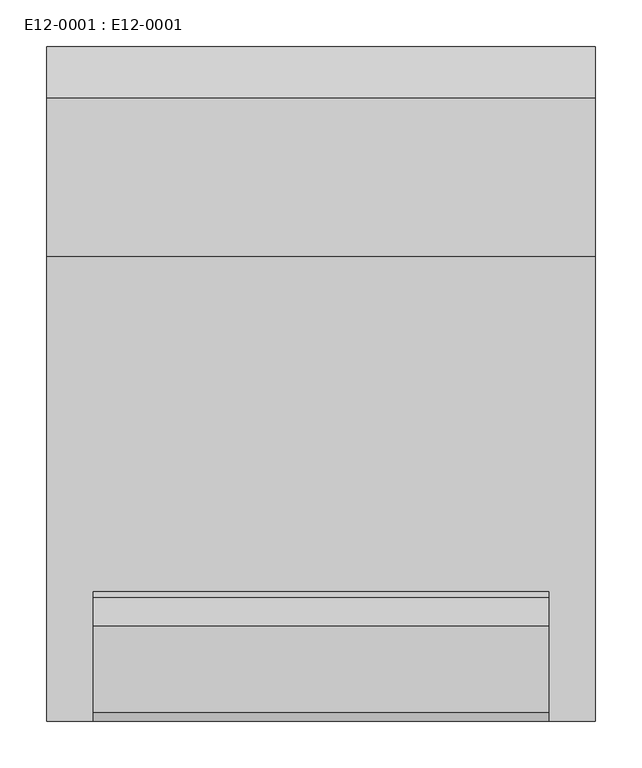
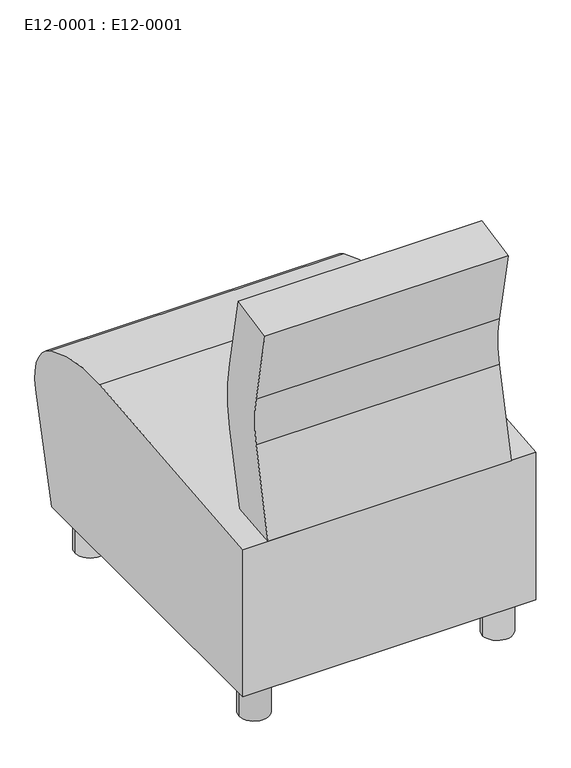
"""IFC4 building model written with IfcOpenShell, lengths in millimetres: furniture geometry, E12-0001 : E12-0001."""

import ifcopenshell
import ifcopenshell.guid

model = None  # the IFC model being written
_history = None  # IfcOwnerHistory: only IFC2X3 demands one
_inside = {}  # id of a spatial element -> (the spatial element, [elements in it])
_under = {}  # id of a project, library or spatial element -> (it, [spatial elements below it])
_declared = {}  # id of a project -> (the project, [libraries it declares])
_typed = {}  # id of a type object -> (the type object, [elements of that type])
_made_of = {}  # id of a material, layer set ... -> (it, [elements and type objects made of it])


def new_model(schema):
    """Start an empty IFC model of exactly this schema.

    Asked for "IFC4X3", IfcOpenShell would pick the latest addendum, in which some entities
    have other attributes; the version numbers below select the first issue.
    IFC2X3 requires an IfcOwnerHistory on every rooted entity: one is made here for all.
    """
    global model, _history
    if schema == "IFC4X3":
        model = ifcopenshell.file(schema_version=(4, 3, 0, 0))
    else:
        model = ifcopenshell.file(schema=schema)
    _inside.clear()
    _under.clear()
    _declared.clear()
    _typed.clear()
    _made_of.clear()
    _history = None
    if model.schema == "IFC2X3":
        org = make("IfcOrganization", Name="unknown")
        user = make(
            "IfcPersonAndOrganization",
            ThePerson=make("IfcPerson", FamilyName="unknown"),
            TheOrganization=org,
        )
        app = make(
            "IfcApplication",
            ApplicationDeveloper=org,
            Version="unknown",
            ApplicationFullName="unknown",
            ApplicationIdentifier="unknown",
        )
        _history = make(
            "IfcOwnerHistory",
            OwningUser=user,
            OwningApplication=app,
            ChangeAction="ADDED",
            CreationDate=0,
        )
    return model


def make(cls, **values):
    """One entity of the class cls with the attributes given. An attribute that is None is left unset."""
    return model.create_entity(
        cls, **{name: value for name, value in values.items() if value is not None}
    )


def rooted(cls, **values):
    """An entity with a GlobalId (a new one), such as an element, a storey or a relation."""
    return make(cls, GlobalId=ifcopenshell.guid.new(), OwnerHistory=_history, **values)


def si_unit(unit_type, name, prefix=None):
    """IfcSIUnit, for example si_unit("LENGTHUNIT", "METRE", prefix="MILLI")."""
    return make("IfcSIUnit", UnitType=unit_type, Prefix=prefix, Name=name)


def assignment(units):
    """IfcUnitAssignment: the units of a project."""
    return None if units is None else make("IfcUnitAssignment", Units=units)


def point(xyz):
    """IfcCartesianPoint."""
    return None if xyz is None else make("IfcCartesianPoint", Coordinates=xyz)


def direction(xyz):
    """IfcDirection."""
    return None if xyz is None else make("IfcDirection", DirectionRatios=xyz)


def frame(location, z_axis=None, x_axis=None):
    """IfcAxis2Placement3D, a coordinate frame: its origin and axes. An axis left out is left unset."""
    return make(
        "IfcAxis2Placement3D",
        Location=point(location),
        Axis=direction(z_axis),
        RefDirection=direction(x_axis),
    )


def frame_2d(location, x_axis=None):
    """IfcAxis2Placement2D, a coordinate frame in the plane: its origin and x axis."""
    return make(
        "IfcAxis2Placement2D", Location=point(location), RefDirection=direction(x_axis)
    )


def origin():
    """The frame at (0, 0, 0) with its axes left unset."""
    return frame((0.0, 0.0, 0.0))


def origin_with_axes():
    """The frame at (0, 0, 0) with the z axis (0, 0, 1) and the x axis (1, 0, 0) written out."""
    return frame((0.0, 0.0, 0.0), z_axis=(0.0, 0.0, 1.0), x_axis=(1.0, 0.0, 0.0))


def place(relative_to, where):
    """IfcLocalPlacement: puts the frame where relative to a parent placement (None: the world)."""
    return make(
        "IfcLocalPlacement", PlacementRelTo=relative_to, RelativePlacement=where
    )


def context(
    kind, dimensions, precision=None, world=None, true_north=None, identifier=None
):
    """IfcGeometricRepresentationContext, for example the 3D "Model" context."""
    return make(
        "IfcGeometricRepresentationContext",
        ContextIdentifier=identifier,
        ContextType=kind,
        CoordinateSpaceDimension=dimensions,
        Precision=precision,
        WorldCoordinateSystem=world,
        TrueNorth=true_north,
    )


def project(units=None, contexts=None):
    """IfcProject with its units and contexts."""
    return rooted(
        "IfcProject",
        Name="project",
        RepresentationContexts=contexts,
        UnitsInContext=assignment(units),
    )


def spatial(cls, under=None, at=None, **own):
    """A site, building, storey or space (cls), placed at a placement, below another one or the project."""
    s = rooted(cls, ObjectPlacement=at, **own)
    if under is not None:
        _under.setdefault(under.id(), (under, []))[1].append(s)
    return s


def polyline(points):
    """IfcPolyline through the points."""
    return make("IfcPolyline", Points=[point(p) for p in points])


def circle_curve(where, radius):
    """IfcCircle in the frame where."""
    return make("IfcCircle", Position=where, Radius=radius)


def trimmed(basis, trim1, trim2, sense, master):
    """IfcTrimmedCurve: the piece of a basis curve between two trims."""
    return make(
        "IfcTrimmedCurve",
        BasisCurve=basis,
        Trim1=trim1,
        Trim2=trim2,
        SenseAgreement=sense,
        MasterRepresentation=master,
    )


def segment(curve, same_sense, transition):
    """IfcCompositeCurveSegment."""
    return make(
        "IfcCompositeCurveSegment",
        Transition=transition,
        SameSense=same_sense,
        ParentCurve=curve,
    )


def composite_curve(segments, self_intersect=None):
    """IfcCompositeCurve: segments joined end to end."""
    return make("IfcCompositeCurve", Segments=segments, SelfIntersect=self_intersect)


def outline(outer, holes=None, kind="AREA"):
    """IfcArbitraryClosedProfileDef: a profile drawn as a closed curve; with holes, ...WithVoids."""
    if holes is None:
        return make("IfcArbitraryClosedProfileDef", ProfileType=kind, OuterCurve=outer)
    return make(
        "IfcArbitraryProfileDefWithVoids",
        ProfileType=kind,
        OuterCurve=outer,
        InnerCurves=holes,
    )


def extrude(swept, where, along, depth):
    """IfcExtrudedAreaSolid: the profile swept, set in the frame where, extruded along a direction by depth."""
    return make(
        "IfcExtrudedAreaSolid",
        SweptArea=swept,
        Position=where,
        ExtrudedDirection=direction(along),
        Depth=depth,
    )


def shape(context_of_items, identifier, shape_type, items):
    """IfcShapeRepresentation: the items that make up one representation, for example the "Body"."""
    return make(
        "IfcShapeRepresentation",
        ContextOfItems=context_of_items,
        RepresentationIdentifier=identifier,
        RepresentationType=shape_type,
        Items=items,
    )


def source(mapping_origin, context_of_items, identifier, shape_type, items):
    """IfcRepresentationMap: a shape defined once, which mapped items show again and again."""
    return make(
        "IfcRepresentationMap",
        MappingOrigin=mapping_origin,
        MappedRepresentation=shape(context_of_items, identifier, shape_type, items),
    )


def transform(
    local_origin,
    x_axis=None,
    y_axis=None,
    z_axis=None,
    scale=None,
    scale2=None,
    scale3=None,
    uniform=True,
):
    """IfcCartesianTransformationOperator3D, or its non-uniform kind. x_axis, y_axis, z_axis: its Axis1, 2, 3."""
    if uniform:
        return make(
            "IfcCartesianTransformationOperator3D",
            Axis1=direction(x_axis),
            Axis2=direction(y_axis),
            LocalOrigin=point(local_origin),
            Scale=scale,
            Axis3=direction(z_axis),
        )
    return make(
        "IfcCartesianTransformationOperator3DnonUniform",
        Axis1=direction(x_axis),
        Axis2=direction(y_axis),
        LocalOrigin=point(local_origin),
        Scale=scale,
        Axis3=direction(z_axis),
        Scale2=scale2,
        Scale3=scale3,
    )


def mapped(mapping_source, mapping_target):
    """IfcMappedItem: shows the shape of a source again, moved by a transform."""
    return make(
        "IfcMappedItem", MappingSource=mapping_source, MappingTarget=mapping_target
    )


def made_of(thing, what):
    """Note that an element or type object is made of a material, layer set ...; save() writes the relation."""
    if what is not None:
        _made_of.setdefault(what.id(), (what, []))[1].append(thing)
    return thing


def element(
    cls,
    number,
    at=None,
    inside=None,
    cuts=None,
    type_object=None,
    material=None,
    context=None,
    identifier="Body",
    shape_type=None,
    held_by="IfcProductDefinitionShape",
    body=None,
    shapes=None,
    **own,
):
    """One element of the class cls, such as IfcWall. Its Tag is "e" and its number.

    at: its placement. inside: the storey or other place that contains it. cuts: it is an
    opening in that element (IfcRelVoidsElement). A single representation is given by context,
    identifier, shape_type and body (its items); several are given by shapes. held_by: the class
    of the entity that holds the representations. save() writes the other relations.
    """
    e = rooted(cls, Tag="e%d" % number, ObjectPlacement=at, **own)
    if body is not None:
        shapes = [shape(context, identifier, shape_type, body)]
    if shapes is not None:
        e.Representation = make(held_by, Representations=shapes)
    if inside is not None:
        _inside.setdefault(inside.id(), (inside, []))[1].append(e)
    if cuts is not None:
        rooted(
            "IfcRelVoidsElement", RelatingBuildingElement=cuts, RelatedOpeningElement=e
        )
    if type_object is not None:
        _typed.setdefault(type_object.id(), (type_object, []))[1].append(e)
    return made_of(e, material)


def aggregate(whole, parts):
    """IfcRelAggregates: a whole, such as a stair, and the parts it consists of."""
    return rooted("IfcRelAggregates", RelatingObject=whole, RelatedObjects=parts)


def save(model, path):
    """Write the relations noted so far, then the file.

    IfcRelAggregates (storeys below a building ...), IfcRelContainedInSpatialStructure (elements
    in a storey), IfcRelDefinesByType, IfcRelAssociatesMaterial and IfcRelDeclares: one each for
    every whole, place, type object, material and project.
    """
    for whole, parts in _under.values():
        aggregate(whole, parts)
    for where, things in _inside.values():
        rooted(
            "IfcRelContainedInSpatialStructure",
            RelatedElements=things,
            RelatingStructure=where,
        )
    for kind, things in _typed.values():
        rooted("IfcRelDefinesByType", RelatedObjects=things, RelatingType=kind)
    for what, things in _made_of.values():
        rooted("IfcRelAssociatesMaterial", RelatedObjects=things, RelatingMaterial=what)
    for by, libraries in _declared.values():
        rooted("IfcRelDeclares", RelatingContext=by, RelatedDefinitions=libraries)
    model.write(path)


def e12_0001_e12_0001_95b67d5f(model_context):
    return source(origin(), model_context, "Body", "SweptSolid", [
        extrude(outline(composite_curve([segment(trimmed(circle_curve(frame_2d((-245.0, -314.9616307)), 30.0), [point((-215.0, -314.9616307))], [point((-275.0, -314.9616307))], False, "CARTESIAN"), True, "CONTINUOUS"), segment(trimmed(circle_curve(frame_2d((-245.0, -314.9616307)), 30.0), [point((-275.0, -314.9616307))], [point((-215.0, -314.9616307))], False, "CARTESIAN"), True, "CONTINUOUS")], self_intersect=False)), origin_with_axes(), (0.0, 0.0, 1.0), 90.0),
        extrude(outline(composite_curve([segment(trimmed(circle_curve(frame_2d((245.0, -314.9616307)), 30.0), [point((275.0, -314.9616307))], [point((215.0, -314.9616307))], False, "CARTESIAN"), True, "CONTINUOUS"), segment(trimmed(circle_curve(frame_2d((245.0, -314.9616307)), 30.0), [point((215.0, -314.9616307))], [point((275.0, -314.9616307))], False, "CARTESIAN"), True, "CONTINUOUS")], self_intersect=False)), origin_with_axes(), (0.0, 0.0, 1.0), 90.0),
        extrude(outline(composite_curve([segment(trimmed(circle_curve(frame_2d((-245.0, 257.0910208)), 30.0), [point((-275.0, 257.0910208))], [point((-215.0, 257.0910208))], False, "CARTESIAN"), True, "CONTINUOUS"), segment(trimmed(circle_curve(frame_2d((-245.0, 257.0910208)), 30.0), [point((-215.0, 257.0910208))], [point((-275.0, 257.0910208))], False, "CARTESIAN"), True, "CONTINUOUS")], self_intersect=False)), origin_with_axes(), (0.0, 0.0, 1.0), 90.0),
        extrude(outline(composite_curve([segment(trimmed(circle_curve(frame_2d((245.0, 257.0910208)), 30.0), [point((215.0, 257.0910208))], [point((275.0, 257.0910208))], False, "CARTESIAN"), True, "CONTINUOUS"), segment(trimmed(circle_curve(frame_2d((245.0, 257.0910208)), 30.0), [point((275.0, 257.0910208))], [point((215.0, 257.0910208))], False, "CARTESIAN"), True, "CONTINUOUS")], self_intersect=False)), origin_with_axes(), (0.0, 0.0, 1.0), 90.0),
        extrude(outline(composite_curve([segment(polyline([(-321.9613564, 668.4935715), (-352.8958204, 821.165723), (-260.7194529, 839.8425183), (-229.9768759, 688.1173945)]), True, "CONTINUOUS"), segment(trimmed(circle_curve(frame_2d((-535.5364706, 620.1795915)), 313.0211031), [point((-229.9768759, 688.1173945))], [point((-230.2297005, 551.1144983))], False, "CARTESIAN"), True, "CONTINUOUS"), segment(polyline([(-230.2297005, 551.1144983), (-264.3541018, 400.2653463), (-362.9089792, 390.8539618), (-321.9613564, 571.8656116)]), True, "CONTINUOUS"), segment(trimmed(circle_curve(frame_2d((-535.5364706, 620.1795915)), 218.9716193), [point((-321.9613564, 571.8656116))], [point((-321.9613564, 668.4935715))], True, "CARTESIAN"), True, "CONTINUOUS")], self_intersect=False)), frame((-245.0, 0.0, 0.0), z_axis=(1.0, 0.0, 0.0), x_axis=(0.0, 1.0, 0.0)), (0.0, 0.0, 1.0), 490.0),
        extrude(outline(composite_curve([segment(trimmed(circle_curve(frame_2d((167.0263638, 119.1677501)), 320.8322499), [point((136.5276024, 438.5470828))], [point((306.9348904, 407.8872277))], False, "CARTESIAN"), True, "CONTINUOUS"), segment(trimmed(circle_curve(frame_2d((263.6500621, 318.5633437)), 99.2589171), [point((306.9348904, 407.8872277))], [point((359.7611802, 293.7644405))], False, "CARTESIAN"), True, "CONTINUOUS"), segment(polyline([(359.7611802, 293.7644405), (303.5267446, 77.4421756), (-362.9089792, 77.4421756), (-362.9089792, 390.8539618), (136.5276024, 438.5470828)]), True, "CONTINUOUS")], self_intersect=False)), frame((-295.0, 0.0, 0.0), z_axis=(1.0, 0.0, 0.0), x_axis=(0.0, 1.0, 0.0)), (0.0, 0.0, 1.0), 590.0),
    ])


if __name__ == "__main__":
    model = new_model("IFC4")
    model_context = context("Model", 3, world=origin())
    ifc_project = project(units=[si_unit("LENGTHUNIT", "METRE", prefix="MILLI")], contexts=[model_context])
    site = spatial("IfcSite", under=ifc_project)
    building = spatial("IfcBuilding", under=site)
    placement = place(None, origin())
    e12_0001_e12_0001_shape = e12_0001_e12_0001_95b67d5f(model_context)
    element("IfcFurniture", 1, ObjectType="E12-0001 : E12-0001", at=placement, inside=building, context=model_context, shape_type="MappedRepresentation", body=[
        mapped(e12_0001_e12_0001_shape, transform((0.0, 0.0, 0.0), x_axis=(1.0, 0.0, 0.0), y_axis=(0.0, 1.0, 0.0), z_axis=(0.0, 0.0, 1.0))),
    ])
    save(model, "model.ifc")
